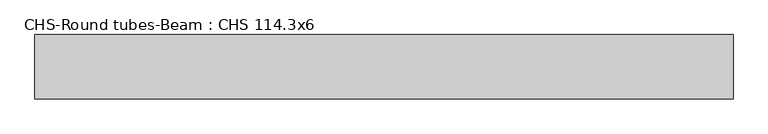
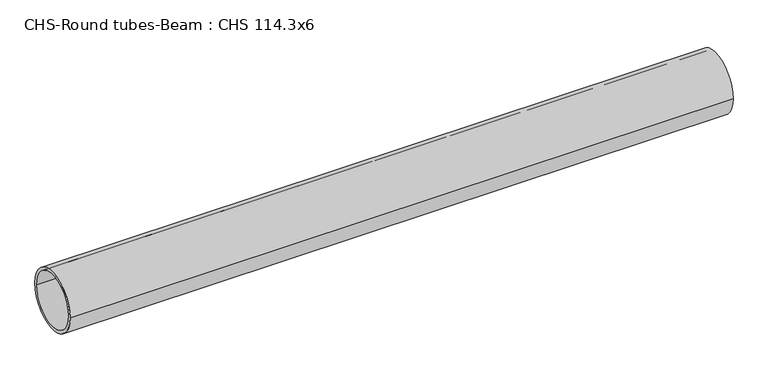
"""IFC4 building model written with IfcOpenShell, lengths in millimetres: beam geometry, CHS-Round tubes-Beam : CHS 114.3x6."""

from ifc_helpers import new_model, si_unit, point, frame, origin, origin_2d, place, context, project, spatial, circle_curve, trimmed, segment, composite_curve, outline, extrude, source, transform, mapped, element, save


def chs_round_tubes_beam_chs_114_3x6_d55ad1bc(model_context):
    return source(origin(), model_context, "Body", "SweptSolid", [
        extrude(outline(composite_curve([segment(trimmed(circle_curve(origin_2d(), 57.15), [point((57.15, 0.0))], [point((-57.15, 0.0))], False, "CARTESIAN"), True, "CONTINUOUS"), segment(trimmed(circle_curve(origin_2d(), 57.15), [point((-57.15, 0.0))], [point((57.15, 0.0))], False, "CARTESIAN"), True, "CONTINUOUS")], self_intersect=False), holes=[composite_curve([segment(trimmed(circle_curve(origin_2d(), 51.15), [point((51.15, 0.0))], [point((-51.15, 0.0))], True, "CARTESIAN"), True, "CONTINUOUS"), segment(trimmed(circle_curve(origin_2d(), 51.15), [point((-51.15, 0.0))], [point((51.15, 0.0))], True, "CARTESIAN"), True, "CONTINUOUS")], self_intersect=False)]), frame((-621.5593861, 0.0, 0.0), z_axis=(1.0, 0.0, 0.0), x_axis=(0.0, 1.0, 0.0)), (0.0, 0.0, 1.0), 1242.3969939),
    ])


if __name__ == "__main__":
    model = new_model("IFC4")
    model_context = context("Model", 3, world=origin())
    ifc_project = project(units=[si_unit("LENGTHUNIT", "METRE", prefix="MILLI")], contexts=[model_context])
    site = spatial("IfcSite", under=ifc_project)
    building = spatial("IfcBuilding", under=site)
    placement = place(None, origin())
    chs_round_tubes_beam_chs_114_3x6_shape = chs_round_tubes_beam_chs_114_3x6_d55ad1bc(model_context)
    element("IfcBeam", 1, ObjectType="CHS-Round tubes-Beam : CHS 114.3x6", at=placement, inside=building, context=model_context, shape_type="MappedRepresentation", body=[
        mapped(chs_round_tubes_beam_chs_114_3x6_shape, transform((0.0, 0.0, 0.0), x_axis=(1.0, 0.0, 0.0), y_axis=(0.0, 1.0, 0.0), z_axis=(0.0, 0.0, 1.0))),
    ])
    save(model, "model.ifc")
